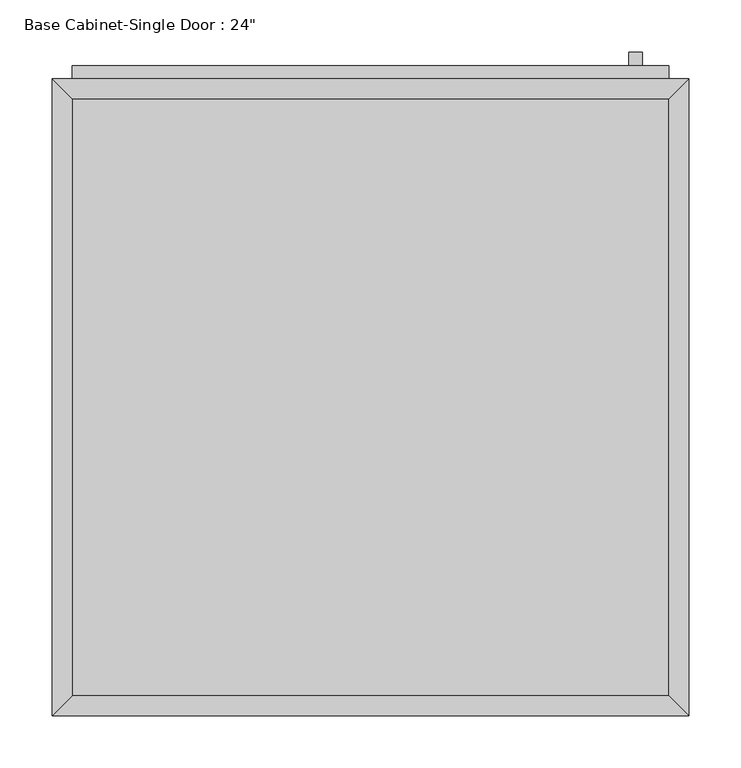
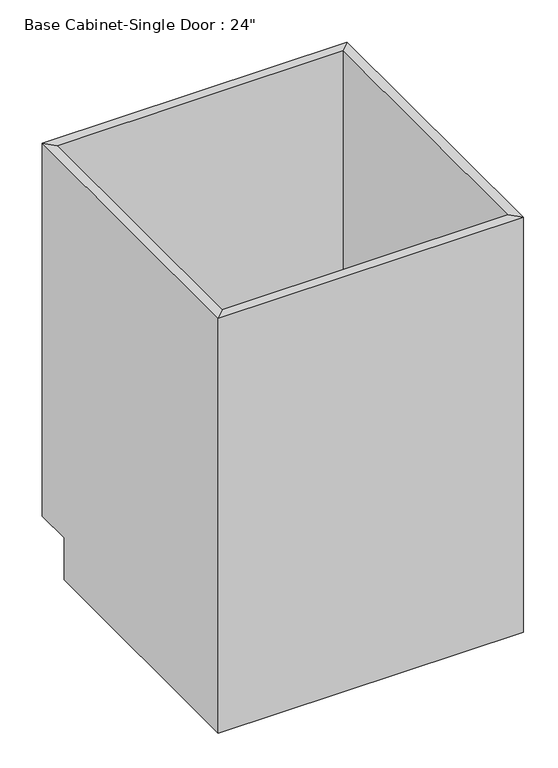
"""IFC4 building model written with IfcOpenShell, lengths in millimetres: furniture geometry."""

from ifc_helpers import new_model, si_unit, frame, origin, place, context, project, spatial, polyline, outline, extrude, faceted_brep, source, transform, mapped, element, save


def furniture_32e7b4e5(model_context):
    return source(origin(), model_context, "Body", "SolidModel", [
        faceted_brep([(304.4877049, 590.55, 876.3), (-267.0122951, 590.55, 876.3), (-267.0122951, 590.55, 88.9), (304.4877049, 590.55, 88.9), (323.5377049, 609.6, 876.3), (-286.0622951, 609.6, 876.3), (323.5377049, 609.6, 88.9), (-286.0622951, 609.6, 88.9), (-267.0122951, 19.05, 876.3), (-267.0122951, 19.05, 88.9), (-267.0122951, 533.4, 88.9), (-286.0622951, 0.0, 876.3), (-286.0622951, 533.4, 88.9), (-286.0622951, 533.4, 0.0), (-286.0622951, 0.0, 0.0), (304.4877049, 19.05, 876.3), (304.4877049, 19.05, 88.9), (323.5377049, 0.0, 876.3), (323.5377049, 0.0, 0.0), (304.4877049, 533.4, 88.9), (323.5377049, 533.4, 0.0), (323.5377049, 533.4, 88.9)], [[[0, 1, 2, 3]], [[0, 4, 5, 1]], [[4, 6, 7, 5]], [[2, 7, 6, 3]], [[1, 8, 9, 10, 2]], [[5, 11, 8, 1]], [[7, 12, 13, 14, 11, 5]], [[2, 10, 12, 7]], [[8, 15, 16, 9]], [[11, 17, 15, 8]], [[14, 18, 17, 11]], [[3, 19, 16, 15, 0]], [[0, 15, 17, 4]], [[4, 17, 18, 20, 21, 6]], [[6, 21, 19, 3]], [[10, 9, 16, 19]], [[18, 14, 13, 20]], [[13, 12, 10, 19, 21, 20]]]),
        extrude(outline(polyline([(304.4877049, 19.05), (-267.0122951, 19.05), (-267.0122951, 590.55), (304.4877049, 590.55), (304.4877049, 19.05)])), frame((0.0, 0.0, 88.9), z_axis=(0.0, 0.0, 1.0), x_axis=(1.0, 0.0, 0.0)), (0.0, 0.0, 1.0), 19.05),
        extrude(outline(polyline([(279.0877049, 635.0), (279.0877049, 622.3), (266.3877049, 622.3), (266.3877049, 635.0), (279.0877049, 635.0)])), frame((0.0, 0.0, 717.55), z_axis=(0.0, 0.0, 1.0), x_axis=(1.0, 0.0, 0.0)), (0.0, 0.0, 1.0), 101.6),
        extrude(outline(polyline([(304.4877049, 622.3), (304.4877049, 609.6), (-267.0122951, 609.6), (-267.0122951, 622.3), (304.4877049, 622.3)])), frame((0.0, 0.0, 107.95), z_axis=(0.0, 0.0, 1.0), x_axis=(1.0, 0.0, 0.0)), (0.0, 0.0, 1.0), 749.3),
    ])


if __name__ == "__main__":
    model = new_model("IFC4")
    model_context = context("Model", 3, world=origin())
    ifc_project = project(units=[si_unit("LENGTHUNIT", "METRE", prefix="MILLI")], contexts=[model_context])
    site = spatial("IfcSite", under=ifc_project)
    building = spatial("IfcBuilding", under=site)
    placement = place(None, origin())
    furniture_shape = furniture_32e7b4e5(model_context)
    element("IfcFurniture", 1, ObjectType="Base Cabinet-Single Door : 24\"", at=placement, inside=building, context=model_context, shape_type="MappedRepresentation", body=[
        mapped(furniture_shape, transform((0.0, 0.0, 0.0), x_axis=(1.0, 0.0, 0.0), y_axis=(0.0, 1.0, 0.0), z_axis=(0.0, 0.0, 1.0))),
    ])
    save(model, "model.ifc")
